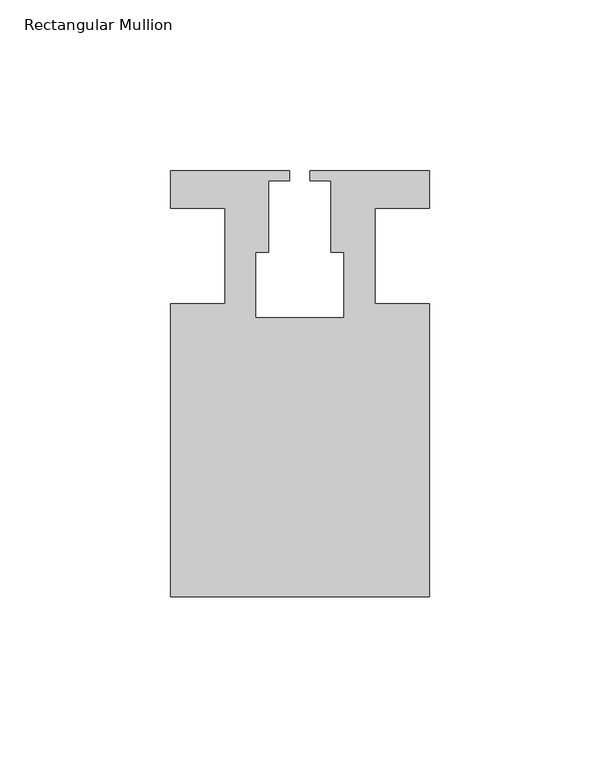
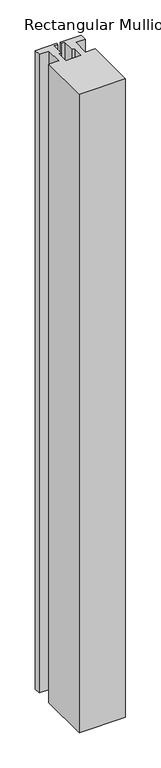
"""IFC4 building model written with IfcOpenShell, lengths in millimetres: member geometry, Rectangular Mullion."""

from ifc_helpers import new_model, si_unit, frame, origin, place, context, project, spatial, polyline, outline, extrude, source, transform, mapped, element, save


def rectangular_mullion_afda2ad7(model_context):
    return source(origin(), model_context, "Body", "SweptSolid", [
        extrude(outline(polyline([(37.9999914, -99.9960123), (-37.9999896, -99.9960123), (-37.9999896, -13.9960123), (-21.9999633, -13.9960123), (-21.9999633, 14.0039877), (-37.9999896, 14.0039877), (-37.9999896, 25.0039877), (-2.9999896, 25.0039877), (-2.9999896, 22.0039877), (-9.1999633, 22.0039877), (-9.1999633, 1.0039877), (-12.9999633, 1.0039877), (-12.9999633, -18.1960075), (12.9999651, -18.1960075), (12.9999651, 1.0039877), (9.1999651, 1.0039877), (9.1999651, 22.0039877), (2.9999651, 22.0039877), (2.9999651, 25.0039877), (37.9999896, 25.0039877), (37.9999896, 14.0039877), (21.9999651, 14.0039877), (21.9999651, -13.9960123), (37.9999914, -13.9960123), (37.9999914, -99.9960123)])), frame((0.0, 0.0, -1108.0099627), z_axis=(0.0, 0.0, 1.0), x_axis=(1.0, 0.0, 0.0)), (0.0, 0.0, 1.0), 1108.0099627),
    ])


if __name__ == "__main__":
    model = new_model("IFC4")
    model_context = context("Model", 3, world=origin())
    ifc_project = project(units=[si_unit("LENGTHUNIT", "METRE", prefix="MILLI")], contexts=[model_context])
    site = spatial("IfcSite", under=ifc_project)
    building = spatial("IfcBuilding", under=site)
    placement = place(None, origin())
    rectangular_mullion_shape = rectangular_mullion_afda2ad7(model_context)
    element("IfcMember", 1, ObjectType="Rectangular Mullion", at=placement, inside=building, context=model_context, shape_type="MappedRepresentation", body=[
        mapped(rectangular_mullion_shape, transform((0.0, 0.0, 0.0), x_axis=(1.0, 0.0, 0.0), y_axis=(0.0, 1.0, 0.0), z_axis=(0.0, 0.0, 1.0))),
    ])
    save(model, "model.ifc")
